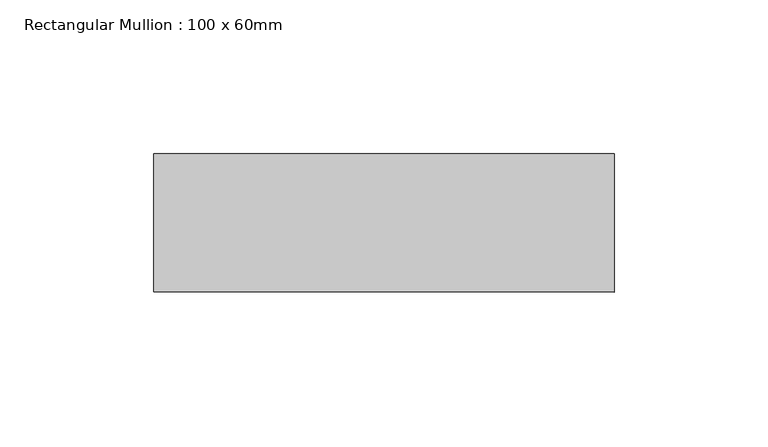
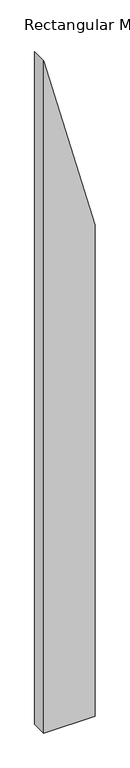
"""IFC4 building model written with IfcOpenShell, lengths in millimetres: member geometry, Rectangular Mullion : 100 x 60mm."""

from ifc_helpers import new_model, si_unit, frame, origin, place, context, project, spatial, polyline, outline, extrude, source, transform, mapped, element, save


def rectangular_mullion_100_x_60mm_3bd541cc(model_context):
    return source(origin(), model_context, "Body", "SweptSolid", [
        extrude(outline(polyline([(-1245.8296369, 75.0), (-686.0220157, -75.0), (-2763.3905039, -75.0), (-2763.3905039, 75.0), (-1245.8296369, 75.0)])), frame((0.0, -30.0, 0.0), z_axis=(0.0, 1.0, 0.0), x_axis=(0.0, 0.0, 1.0)), (0.0, 0.0, 1.0), 45.0),
    ])


if __name__ == "__main__":
    model = new_model("IFC4")
    model_context = context("Model", 3, world=origin())
    ifc_project = project(units=[si_unit("LENGTHUNIT", "METRE", prefix="MILLI")], contexts=[model_context])
    site = spatial("IfcSite", under=ifc_project)
    building = spatial("IfcBuilding", under=site)
    placement = place(None, origin())
    rectangular_mullion_100_x_60mm_shape = rectangular_mullion_100_x_60mm_3bd541cc(model_context)
    element("IfcMember", 1, ObjectType="Rectangular Mullion : 100 x 60mm", at=placement, inside=building, context=model_context, shape_type="MappedRepresentation", body=[
        mapped(rectangular_mullion_100_x_60mm_shape, transform((0.0, 0.0, 0.0), x_axis=(1.0, 0.0, 0.0), y_axis=(0.0, 1.0, 0.0), z_axis=(0.0, 0.0, 1.0))),
    ])
    save(model, "model.ifc")
